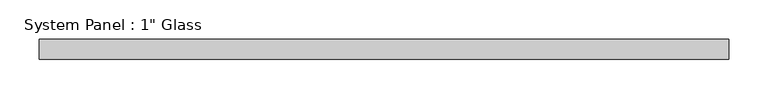
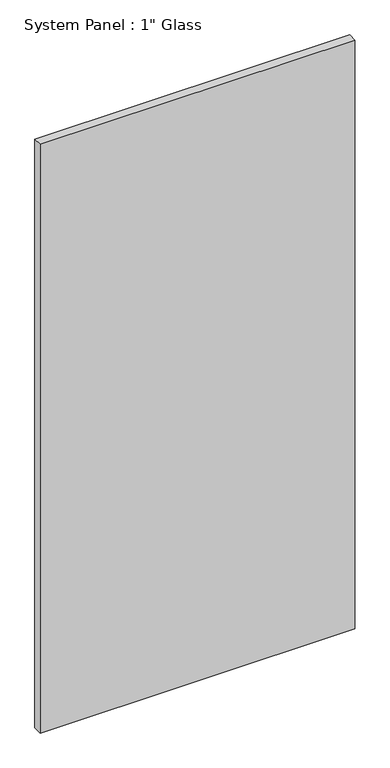
"""IFC4 building model written with IfcOpenShell, lengths in millimetres: plate geometry."""

from ifc_helpers import new_model, si_unit, origin, origin_with_axes, place, context, project, spatial, polyline, outline, extrude, source, transform, mapped, element, save


def plate_7326d686(model_context):
    return source(origin(), model_context, "Body", "SweptSolid", [
        extrude(outline(polyline([(439.8075975, -12.7), (-439.8075975, -12.7), (-439.8075975, 12.7), (439.8075975, 12.7), (439.8075975, -12.7)])), origin_with_axes(), (0.0, 0.0, 1.0), 1739.9),
    ])


if __name__ == "__main__":
    model = new_model("IFC4")
    model_context = context("Model", 3, world=origin())
    ifc_project = project(units=[si_unit("LENGTHUNIT", "METRE", prefix="MILLI")], contexts=[model_context])
    site = spatial("IfcSite", under=ifc_project)
    building = spatial("IfcBuilding", under=site)
    placement = place(None, origin())
    plate_shape = plate_7326d686(model_context)
    element("IfcPlate", 1, ObjectType="System Panel : 1\" Glass", at=placement, inside=building, context=model_context, shape_type="MappedRepresentation", body=[
        mapped(plate_shape, transform((0.0, 0.0, 0.0), x_axis=(1.0, 0.0, 0.0), y_axis=(0.0, 1.0, 0.0), z_axis=(0.0, 0.0, 1.0))),
    ])
    save(model, "model.ifc")
